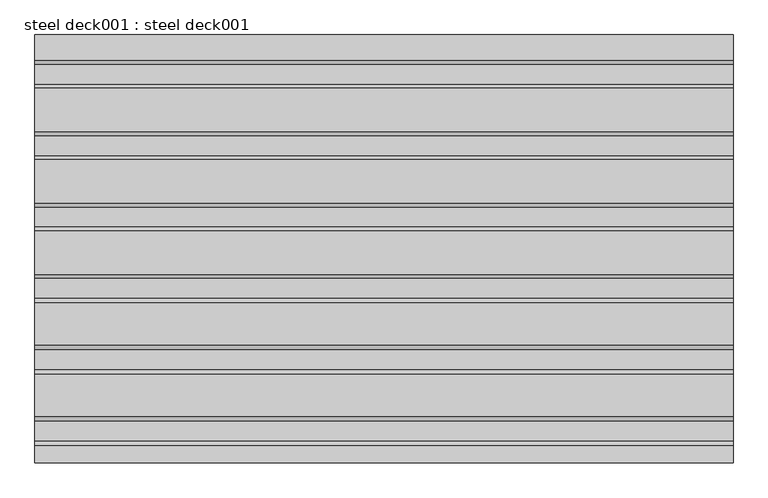
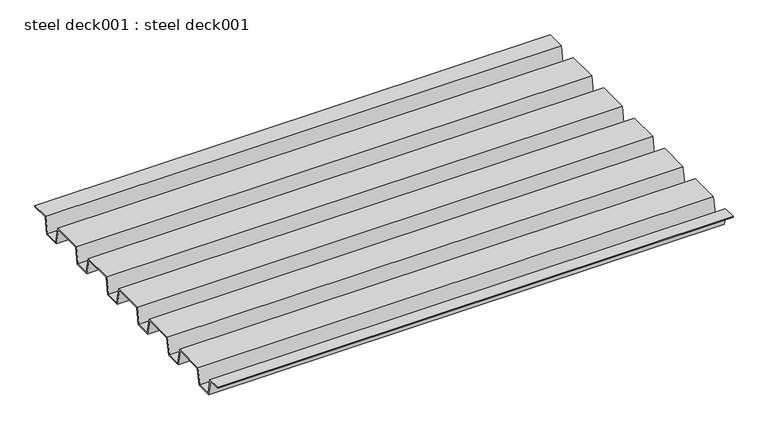
"""IFC4 building model written with IfcOpenShell, lengths in millimetres: proxy geometry, steel deck001 : steel deck001."""

from ifc_helpers import new_model, si_unit, frame, origin, place, context, project, spatial, polyline, outline, extrude, source, transform, mapped, element, save


def steel_deck001_steel_deck001_a81c9b2f(model_context):
    return source(origin(), model_context, "Body", "SweptSolid", [
        extrude(outline(polyline([(-24999.5583231, 2758.6120276), (-25008.4880106, 2806.2370276), (-25095.3483071, 2806.2370276), (-25104.2779946, 2758.6120276), (-25151.9583231, 2758.6120276), (-25160.8880106, 2806.2370276), (-25196.3529946, 2806.2370276), (-25196.3529946, 2809.4120276), (-25158.2529946, 2809.4120276), (-25149.3233071, 2761.7870276), (-25106.9130106, 2761.7870276), (-25097.9833231, 2809.4120276), (-25005.8529946, 2809.4120276), (-24996.9233071, 2761.7870276), (-24954.5130106, 2761.7870276), (-24945.5833231, 2809.4120276), (-24853.4529946, 2809.4120276), (-24844.5233071, 2761.7870276), (-24802.1130106, 2761.7870276), (-24793.1833231, 2809.4120276), (-24701.0529946, 2809.4120276), (-24692.1233071, 2761.7870276), (-24649.7130106, 2761.7870276), (-24640.7833231, 2809.4120276), (-24548.6529946, 2809.4120276), (-24539.7233071, 2761.7870276), (-24497.3130106, 2761.7870276), (-24488.3833231, 2809.4120276), (-24396.2529946, 2809.4120276), (-24387.3233071, 2761.7870276), (-24344.9130106, 2761.7870276), (-24335.9833231, 2809.4120276), (-24281.9529946, 2809.4120276), (-24281.9529946, 2806.2370276), (-24333.3483071, 2806.2370276), (-24342.2779946, 2758.6120276), (-24389.9583231, 2758.6120276), (-24398.8880106, 2806.2370276), (-24485.7483071, 2806.2370276), (-24494.6779946, 2758.6120276), (-24542.3583231, 2758.6120276), (-24551.2880106, 2806.2370276), (-24638.1483071, 2806.2370276), (-24647.0779946, 2758.6120276), (-24694.7583231, 2758.6120276), (-24703.6880106, 2806.2370276), (-24790.5483071, 2806.2370276), (-24799.4779946, 2758.6120276), (-24847.1583231, 2758.6120276), (-24856.0880106, 2806.2370276), (-24942.9483071, 2806.2370276), (-24951.8779946, 2758.6120276), (-24999.5583231, 2758.6120276)])), frame((37992.6210168, 0.0, 0.0), z_axis=(1.0, 0.0, 0.0), x_axis=(0.0, 1.0, 0.0)), (0.0, 0.0, 1.0), 1489.7482145),
    ])


if __name__ == "__main__":
    model = new_model("IFC4")
    model_context = context("Model", 3, world=origin())
    ifc_project = project(units=[si_unit("LENGTHUNIT", "METRE", prefix="MILLI")], contexts=[model_context])
    site = spatial("IfcSite", under=ifc_project)
    building = spatial("IfcBuilding", under=site)
    placement = place(None, origin())
    steel_deck001_steel_deck001_shape = steel_deck001_steel_deck001_a81c9b2f(model_context)
    element("IfcBuildingElementProxy", 1, Name="steel deck001 : steel deck001", ObjectType="steel deck001 : steel deck001", at=placement, inside=building, context=model_context, shape_type="MappedRepresentation", body=[
        mapped(steel_deck001_steel_deck001_shape, transform((0.0, 0.0, 0.0), x_axis=(1.0, 0.0, 0.0), y_axis=(0.0, 1.0, 0.0), z_axis=(0.0, 0.0, 1.0))),
    ])
    save(model, "model.ifc")
